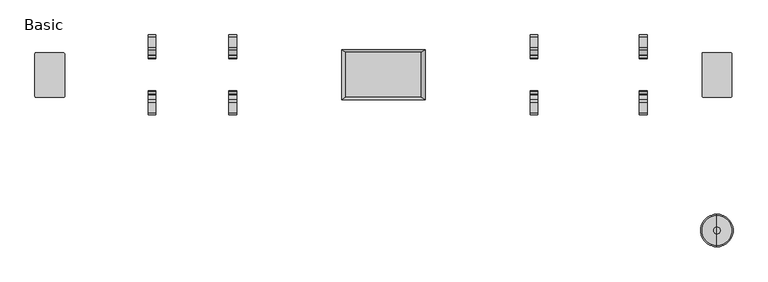
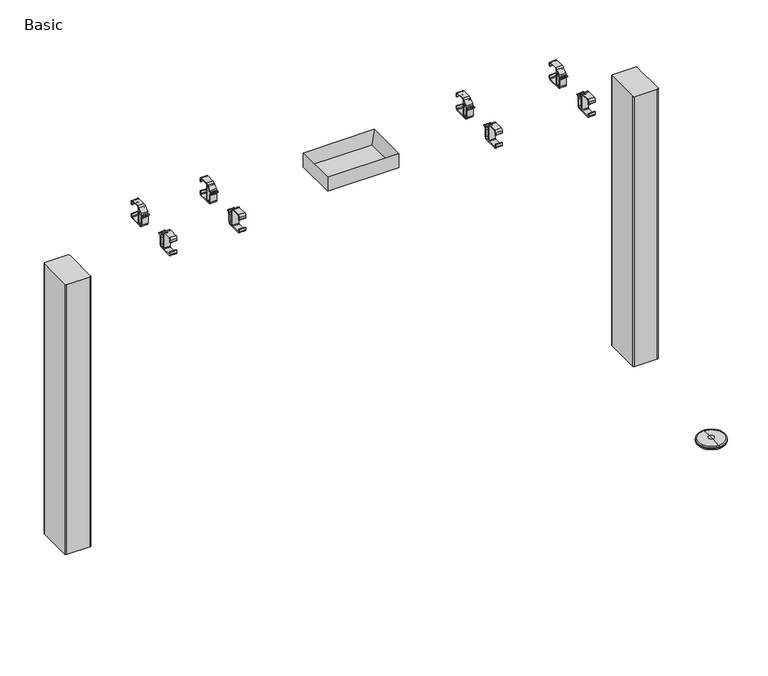
"""IFC4 building model written with IfcOpenShell, lengths in millimetres: furniture geometry, Basic."""

from ifc_helpers import new_model, si_unit, point, frame, frame_2d, origin, place, context, project, spatial, polyline, circle_curve, ellipse_curve, trimmed, segment, composite_curve, outline, extrude, faceted_brep, source, transform, mapped, element, save
from ifc_brep_helpers import plane_surface, cylinder_surface, revolved_surface, advanced_brep


def basic_55b35f84(model_context):
    return source(origin(), model_context, "Body", "SolidModel", [
        extrude(outline(composite_curve([segment(trimmed(circle_curve(frame_2d((524.0941449, -139.8062192)), 2.9999955), [point((527.0941404, -139.8062192))], [point((524.0941476, -142.8062147))], False, "CARTESIAN"), True, "CONTINUOUS"), segment(polyline([(524.0941476, -142.8062147), (470.2123335, -142.8062147)]), True, "CONTINUOUS"), segment(trimmed(circle_curve(frame_2d((470.2123308, -139.8062267)), 2.9999881), [point((470.2123335, -142.8062147))], [point((467.2123427, -139.8062267))], False, "CARTESIAN"), True, "CONTINUOUS"), segment(polyline([(467.2123427, -139.8062267), (467.2123427, -55.8062406)]), True, "CONTINUOUS"), segment(trimmed(circle_curve(frame_2d((470.2123507, -55.8062406)), 3.0000079), [point((467.2123427, -55.8062406))], [point((470.2123441, -52.8062327))], False, "CARTESIAN"), True, "CONTINUOUS"), segment(polyline([(470.2123441, -52.8062327), (524.094164, -52.8062327)]), True, "CONTINUOUS"), segment(trimmed(circle_curve(frame_2d((524.094164, -55.8062091)), 2.9999764), [point((524.094164, -52.8062327))], [point((527.0941404, -55.8062091))], False, "CARTESIAN"), True, "CONTINUOUS"), segment(polyline([(527.0941404, -55.8062091), (527.0941404, -139.8062192)]), True, "CONTINUOUS")], self_intersect=False)), frame((0.0, 0.0, 32.9997018), z_axis=(0.0, 0.0, 1.0), x_axis=(1.0, 0.0, 0.0)), (0.0, 0.0, 1.0), 673.400907),
        extrude(outline(composite_curve([segment(polyline([(-871.3931554, -140.227344), (-871.3931508, -55.5044158)]), True, "CONTINUOUS"), segment(trimmed(circle_curve(frame_2d((-868.6949196, -55.5044158)), 2.6982312), [point((-871.3931508, -55.5044158))], [point((-868.6949196, -52.8061846))], False, "CARTESIAN"), True, "CONTINUOUS"), segment(polyline([(-868.6949196, -52.8061846), (-815.7662966, -52.8061846)]), True, "CONTINUOUS"), segment(trimmed(circle_curve(frame_2d((-815.7662966, -57.1799025)), 4.3737179), [point((-815.7662966, -52.8061846))], [point((-811.3925787, -57.1799025))], False, "CARTESIAN"), True, "CONTINUOUS"), segment(polyline([(-811.3925787, -57.1799025), (-811.3925787, -140.352824)]), True, "CONTINUOUS"), segment(trimmed(circle_curve(frame_2d((-813.9932707, -140.2011003)), 2.605114), [point((-811.3925787, -140.352824))], [point((-813.9932707, -142.8062143))], False, "CARTESIAN"), True, "CONTINUOUS"), segment(polyline([(-813.9932707, -142.8062143), (-868.8142851, -142.8062143)]), True, "CONTINUOUS"), segment(trimmed(circle_curve(frame_2d((-868.8142851, -140.227344)), 2.5788703), [point((-868.8142851, -142.8062143))], [point((-871.3931554, -140.227344))], False, "CARTESIAN"), True, "CONTINUOUS")], self_intersect=False)), frame((0.0, 0.0, 32.9997018), z_axis=(0.0, 0.0, 1.0), x_axis=(1.0, 0.0, 0.0)), (0.0, 0.0, 1.0), 673.400907),
        extrude(outline(composite_curve([segment(trimmed(circle_curve(frame_2d((-65.7391624, 742.1239361)), 6.2415612), [point((-59.4976013, 742.1239361))], [point((-64.5659326, 748.2542393))], True, "CARTESIAN"), True, "CONTINUOUS"), segment(trimmed(circle_curve(frame_2d((-64.3721846, 749.2666017)), 1.0307357), [point((-64.5659326, 748.2542393))], [point((-64.1869392, 750.2805545))], False, "CARTESIAN"), True, "CONTINUOUS"), segment(trimmed(circle_curve(frame_2d((-65.6771233, 742.1239361)), 8.2916266), [point((-64.1869392, 750.2805545))], [point((-57.3854967, 742.1239361))], False, "CARTESIAN"), True, "CONTINUOUS"), segment(polyline([(-57.3854967, 742.1239361), (-57.3854967, 725.3624107)]), True, "CONTINUOUS"), segment(trimmed(circle_curve(frame_2d((-53.4972048, 725.3624107)), 3.8882919), [point((-57.3854967, 725.3624107))], [point((-53.4414787, 721.4745182))], True, "CARTESIAN"), True, "CONTINUOUS"), segment(polyline([(-53.4414787, 721.4745182), (-48.5753711, 721.4745182)]), True, "CONTINUOUS"), segment(trimmed(circle_curve(frame_2d((-48.5753711, 722.558435)), 1.0839168), [point((-48.5753711, 721.4745182))], [point((-47.4914543, 722.558435))], True, "CARTESIAN"), True, "CONTINUOUS"), segment(polyline([(-47.4914543, 722.558435), (-47.4914543, 756.2135585)]), True, "CONTINUOUS"), segment(trimmed(circle_curve(frame_2d((-49.0315964, 756.2135585)), 1.5401421), [point((-47.4914543, 756.2135585))], [point((-50.0681586, 757.3526706))], True, "CARTESIAN"), True, "CONTINUOUS"), segment(polyline([(-50.0681586, 757.3526706), (-54.4475369, 753.3675508)]), True, "CONTINUOUS"), segment(trimmed(circle_curve(frame_2d((-53.8610141, 752.7230017)), 0.8714657), [point((-54.4475369, 753.3675508))], [point((-54.6447876, 752.342014))], True, "CARTESIAN"), True, "CONTINUOUS"), segment(trimmed(circle_curve(frame_2d((-56.5369304, 751.4222544)), 2.1038446), [point((-54.6447876, 752.342014))], [point((-57.8009025, 753.1040798))], False, "CARTESIAN"), True, "CONTINUOUS"), segment(polyline([(-57.8009025, 753.1040798), (-48.4315057, 761.5182067)]), True, "CONTINUOUS"), segment(trimmed(circle_curve(frame_2d((-43.0316889, 755.5053397)), 8.0816206), [point((-48.4315057, 761.5182067))], [point((-43.0316889, 763.5869603))], False, "CARTESIAN"), True, "CONTINUOUS"), segment(polyline([(-43.0316889, 763.5869603), (-21.684555, 763.5869603)]), True, "CONTINUOUS"), segment(trimmed(circle_curve(frame_2d((-22.1935929, 758.8624493)), 4.7518548), [point((-21.684555, 763.5869603))], [point((-17.4417381, 758.8624493))], False, "CARTESIAN"), True, "CONTINUOUS"), segment(polyline([(-17.4417381, 758.8624493), (-17.4417381, 753.5063472)]), True, "CONTINUOUS"), segment(trimmed(circle_curve(frame_2d((-18.5067894, 753.5063472)), 1.0650513), [point((-17.4417381, 753.5063472))], [point((-19.5718406, 753.5063472))], False, "CARTESIAN"), True, "CONTINUOUS"), segment(polyline([(-19.5718406, 753.5063472), (-19.5718406, 759.3038862)]), True, "CONTINUOUS"), segment(trimmed(circle_curve(frame_2d((-22.6679544, 759.3038862)), 3.0961138), [point((-19.5718406, 759.3038862))], [point((-22.6679544, 762.4))], True, "CARTESIAN"), True, "CONTINUOUS"), segment(polyline([(-22.6679544, 762.4), (-43.0035831, 762.4)]), True, "CONTINUOUS"), segment(trimmed(circle_curve(frame_2d((-43.0035831, 759.897389)), 2.502611), [point((-43.0035831, 762.4))], [point((-45.5061941, 759.897389))], True, "CARTESIAN"), True, "CONTINUOUS"), segment(polyline([(-45.5061941, 759.897389), (-45.5061941, 722.9613964)]), True, "CONTINUOUS"), segment(trimmed(circle_curve(frame_2d((-44.0445082, 722.9613964)), 1.4616859), [point((-45.5061941, 722.9613964))], [point((-44.0445082, 721.4997105))], True, "CARTESIAN"), True, "CONTINUOUS"), segment(polyline([(-44.0445082, 721.4997105), (-21.0231187, 721.4997105)]), True, "CONTINUOUS"), segment(trimmed(circle_curve(frame_2d((-21.0231187, 722.9509885)), 1.451278), [point((-21.0231187, 721.4997105))], [point((-19.5718406, 722.9509885))], True, "CARTESIAN"), True, "CONTINUOUS"), segment(polyline([(-19.5718406, 722.9509885), (-19.5718406, 729.2789837), (-17.4417381, 729.2789837), (-17.4417381, 723.3602118)]), True, "CONTINUOUS"), segment(trimmed(circle_curve(frame_2d((-21.439512, 723.3602118)), 3.997774), [point((-17.4417381, 723.3602118))], [point((-21.439512, 719.3624378))], False, "CARTESIAN"), True, "CONTINUOUS"), segment(polyline([(-21.439512, 719.3624378), (-53.4414787, 719.3624378)]), True, "CONTINUOUS"), segment(trimmed(circle_curve(frame_2d((-53.4414787, 725.4188231)), 6.0563853), [point((-53.4414787, 719.3624378))], [point((-59.4976013, 725.3624107))], False, "CARTESIAN"), True, "CONTINUOUS"), segment(polyline([(-59.4976013, 725.3624107), (-59.4976013, 742.1239361)]), True, "CONTINUOUS")], self_intersect=False)), frame((-644.2435707, 0.0, 0.0), z_axis=(1.0, 0.0, 0.0), x_axis=(0.0, 1.0, 0.0)), (0.0, 0.0, 1.0), 15.24),
        extrude(outline(composite_curve([segment(polyline([(-135.6005693, 742.1239361), (-135.6005693, 725.3624107)]), True, "CONTINUOUS"), segment(trimmed(circle_curve(frame_2d((-141.6566919, 725.4188231)), 6.0563853), [point((-135.6005693, 725.3624107))], [point((-141.6566919, 719.3624378))], False, "CARTESIAN"), True, "CONTINUOUS"), segment(polyline([(-141.6566919, 719.3624378), (-173.6586586, 719.3624378)]), True, "CONTINUOUS"), segment(trimmed(circle_curve(frame_2d((-173.6586586, 723.3602118)), 3.997774), [point((-173.6586586, 719.3624378))], [point((-177.6564325, 723.3602118))], False, "CARTESIAN"), True, "CONTINUOUS"), segment(polyline([(-177.6564325, 723.3602118), (-177.6564325, 729.2789837), (-175.52633, 729.2789837), (-175.52633, 722.9509885)]), True, "CONTINUOUS"), segment(trimmed(circle_curve(frame_2d((-174.0750519, 722.9509885)), 1.451278), [point((-175.52633, 722.9509885))], [point((-174.0750519, 721.4997105))], True, "CARTESIAN"), True, "CONTINUOUS"), segment(polyline([(-174.0750519, 721.4997105), (-151.0536624, 721.4997105)]), True, "CONTINUOUS"), segment(trimmed(circle_curve(frame_2d((-151.0536624, 722.9613964)), 1.4616859), [point((-151.0536624, 721.4997105))], [point((-149.5919765, 722.9613964))], True, "CARTESIAN"), True, "CONTINUOUS"), segment(polyline([(-149.5919765, 722.9613964), (-149.5919765, 759.897389)]), True, "CONTINUOUS"), segment(trimmed(circle_curve(frame_2d((-152.0945875, 759.897389)), 2.502611), [point((-149.5919765, 759.897389))], [point((-152.0945875, 762.4))], True, "CARTESIAN"), True, "CONTINUOUS"), segment(polyline([(-152.0945875, 762.4), (-172.4302162, 762.4)]), True, "CONTINUOUS"), segment(trimmed(circle_curve(frame_2d((-172.4302162, 759.3038862)), 3.0961138), [point((-172.4302162, 762.4))], [point((-175.52633, 759.3038862))], True, "CARTESIAN"), True, "CONTINUOUS"), segment(polyline([(-175.52633, 759.3038862), (-175.52633, 753.5063472)]), True, "CONTINUOUS"), segment(trimmed(circle_curve(frame_2d((-176.5913812, 753.5063472)), 1.0650513), [point((-175.52633, 753.5063472))], [point((-177.6564325, 753.5063472))], False, "CARTESIAN"), True, "CONTINUOUS"), segment(polyline([(-177.6564325, 753.5063472), (-177.6564325, 758.8624493)]), True, "CONTINUOUS"), segment(trimmed(circle_curve(frame_2d((-172.9045777, 758.8624493)), 4.7518548), [point((-177.6564325, 758.8624493))], [point((-173.4136156, 763.5869603))], False, "CARTESIAN"), True, "CONTINUOUS"), segment(polyline([(-173.4136156, 763.5869603), (-152.0664817, 763.5869603)]), True, "CONTINUOUS"), segment(trimmed(circle_curve(frame_2d((-152.0664817, 755.5053397)), 8.0816206), [point((-152.0664817, 763.5869603))], [point((-146.6666649, 761.5182067))], False, "CARTESIAN"), True, "CONTINUOUS"), segment(polyline([(-146.6666649, 761.5182067), (-137.2972681, 753.1040798)]), True, "CONTINUOUS"), segment(trimmed(circle_curve(frame_2d((-138.5612402, 751.4222544)), 2.1038446), [point((-137.2972681, 753.1040798))], [point((-140.453383, 752.342014))], False, "CARTESIAN"), True, "CONTINUOUS"), segment(trimmed(circle_curve(frame_2d((-141.2371565, 752.7230017)), 0.8714657), [point((-140.453383, 752.342014))], [point((-140.6506337, 753.3675508))], True, "CARTESIAN"), True, "CONTINUOUS"), segment(polyline([(-140.6506337, 753.3675508), (-145.030012, 757.3526706)]), True, "CONTINUOUS"), segment(trimmed(circle_curve(frame_2d((-146.0665742, 756.2135585)), 1.5401421), [point((-145.030012, 757.3526706))], [point((-147.6067163, 756.2135585))], True, "CARTESIAN"), True, "CONTINUOUS"), segment(polyline([(-147.6067163, 756.2135585), (-147.6067163, 722.558435)]), True, "CONTINUOUS"), segment(trimmed(circle_curve(frame_2d((-146.5227995, 722.558435)), 1.0839168), [point((-147.6067163, 722.558435))], [point((-146.5227995, 721.4745182))], True, "CARTESIAN"), True, "CONTINUOUS"), segment(polyline([(-146.5227995, 721.4745182), (-141.6566919, 721.4745182)]), True, "CONTINUOUS"), segment(trimmed(circle_curve(frame_2d((-141.6009658, 725.3624107)), 3.8882919), [point((-141.6566919, 721.4745182))], [point((-137.7126739, 725.3624107))], True, "CARTESIAN"), True, "CONTINUOUS"), segment(polyline([(-137.7126739, 725.3624107), (-137.7126739, 742.1239361)]), True, "CONTINUOUS"), segment(trimmed(circle_curve(frame_2d((-129.4210473, 742.1239361)), 8.2916266), [point((-137.7126739, 742.1239361))], [point((-130.9112314, 750.2805545))], False, "CARTESIAN"), True, "CONTINUOUS"), segment(trimmed(circle_curve(frame_2d((-130.725986, 749.2666017)), 1.0307357), [point((-130.9112314, 750.2805545))], [point((-130.532238, 748.2542393))], False, "CARTESIAN"), True, "CONTINUOUS"), segment(trimmed(circle_curve(frame_2d((-129.3590082, 742.1239361)), 6.2415612), [point((-130.532238, 748.2542393))], [point((-135.6005693, 742.1239361))], True, "CARTESIAN"), True, "CONTINUOUS")], self_intersect=False)), frame((-644.2435707, 0.0, 0.0), z_axis=(1.0, 0.0, 0.0), x_axis=(0.0, 1.0, 0.0)), (0.0, 0.0, 1.0), 15.24),
        extrude(outline(composite_curve([segment(trimmed(circle_curve(frame_2d((-65.7391624, 742.1239361)), 6.2415612), [point((-59.4976013, 742.1239361))], [point((-64.5659326, 748.2542393))], True, "CARTESIAN"), True, "CONTINUOUS"), segment(trimmed(circle_curve(frame_2d((-64.3721846, 749.2666017)), 1.0307357), [point((-64.5659326, 748.2542393))], [point((-64.1869392, 750.2805545))], False, "CARTESIAN"), True, "CONTINUOUS"), segment(trimmed(circle_curve(frame_2d((-65.6771233, 742.1239361)), 8.2916266), [point((-64.1869392, 750.2805545))], [point((-57.3854967, 742.1239361))], False, "CARTESIAN"), True, "CONTINUOUS"), segment(polyline([(-57.3854967, 742.1239361), (-57.3854967, 725.3624107)]), True, "CONTINUOUS"), segment(trimmed(circle_curve(frame_2d((-53.4972048, 725.3624107)), 3.8882919), [point((-57.3854967, 725.3624107))], [point((-53.4414787, 721.4745182))], True, "CARTESIAN"), True, "CONTINUOUS"), segment(polyline([(-53.4414787, 721.4745182), (-48.5753711, 721.4745182)]), True, "CONTINUOUS"), segment(trimmed(circle_curve(frame_2d((-48.5753711, 722.558435)), 1.0839168), [point((-48.5753711, 721.4745182))], [point((-47.4914543, 722.558435))], True, "CARTESIAN"), True, "CONTINUOUS"), segment(polyline([(-47.4914543, 722.558435), (-47.4914543, 756.2135585)]), True, "CONTINUOUS"), segment(trimmed(circle_curve(frame_2d((-49.0315964, 756.2135585)), 1.5401421), [point((-47.4914543, 756.2135585))], [point((-50.0681586, 757.3526706))], True, "CARTESIAN"), True, "CONTINUOUS"), segment(polyline([(-50.0681586, 757.3526706), (-54.4475369, 753.3675508)]), True, "CONTINUOUS"), segment(trimmed(circle_curve(frame_2d((-53.8610141, 752.7230017)), 0.8714657), [point((-54.4475369, 753.3675508))], [point((-54.6447876, 752.342014))], True, "CARTESIAN"), True, "CONTINUOUS"), segment(trimmed(circle_curve(frame_2d((-56.5369304, 751.4222544)), 2.1038446), [point((-54.6447876, 752.342014))], [point((-57.8009025, 753.1040798))], False, "CARTESIAN"), True, "CONTINUOUS"), segment(polyline([(-57.8009025, 753.1040798), (-48.4315057, 761.5182067)]), True, "CONTINUOUS"), segment(trimmed(circle_curve(frame_2d((-43.0316889, 755.5053397)), 8.0816206), [point((-48.4315057, 761.5182067))], [point((-43.0316889, 763.5869603))], False, "CARTESIAN"), True, "CONTINUOUS"), segment(polyline([(-43.0316889, 763.5869603), (-21.684555, 763.5869603)]), True, "CONTINUOUS"), segment(trimmed(circle_curve(frame_2d((-22.1935929, 758.8624493)), 4.7518548), [point((-21.684555, 763.5869603))], [point((-17.4417381, 758.8624493))], False, "CARTESIAN"), True, "CONTINUOUS"), segment(polyline([(-17.4417381, 758.8624493), (-17.4417381, 753.5063472)]), True, "CONTINUOUS"), segment(trimmed(circle_curve(frame_2d((-18.5067894, 753.5063472)), 1.0650513), [point((-17.4417381, 753.5063472))], [point((-19.5718406, 753.5063472))], False, "CARTESIAN"), True, "CONTINUOUS"), segment(polyline([(-19.5718406, 753.5063472), (-19.5718406, 759.3038862)]), True, "CONTINUOUS"), segment(trimmed(circle_curve(frame_2d((-22.6679544, 759.3038862)), 3.0961138), [point((-19.5718406, 759.3038862))], [point((-22.6679544, 762.4))], True, "CARTESIAN"), True, "CONTINUOUS"), segment(polyline([(-22.6679544, 762.4), (-43.0035831, 762.4)]), True, "CONTINUOUS"), segment(trimmed(circle_curve(frame_2d((-43.0035831, 759.897389)), 2.502611), [point((-43.0035831, 762.4))], [point((-45.5061941, 759.897389))], True, "CARTESIAN"), True, "CONTINUOUS"), segment(polyline([(-45.5061941, 759.897389), (-45.5061941, 722.9613964)]), True, "CONTINUOUS"), segment(trimmed(circle_curve(frame_2d((-44.0445082, 722.9613964)), 1.4616859), [point((-45.5061941, 722.9613964))], [point((-44.0445082, 721.4997105))], True, "CARTESIAN"), True, "CONTINUOUS"), segment(polyline([(-44.0445082, 721.4997105), (-21.0231187, 721.4997105)]), True, "CONTINUOUS"), segment(trimmed(circle_curve(frame_2d((-21.0231187, 722.9509885)), 1.451278), [point((-21.0231187, 721.4997105))], [point((-19.5718406, 722.9509885))], True, "CARTESIAN"), True, "CONTINUOUS"), segment(polyline([(-19.5718406, 722.9509885), (-19.5718406, 729.2789837), (-17.4417381, 729.2789837), (-17.4417381, 723.3602118)]), True, "CONTINUOUS"), segment(trimmed(circle_curve(frame_2d((-21.439512, 723.3602118)), 3.997774), [point((-17.4417381, 723.3602118))], [point((-21.439512, 719.3624378))], False, "CARTESIAN"), True, "CONTINUOUS"), segment(polyline([(-21.439512, 719.3624378), (-53.4414787, 719.3624378)]), True, "CONTINUOUS"), segment(trimmed(circle_curve(frame_2d((-53.4414787, 725.4188231)), 6.0563853), [point((-53.4414787, 719.3624378))], [point((-59.4976013, 725.3624107))], False, "CARTESIAN"), True, "CONTINUOUS"), segment(polyline([(-59.4976013, 725.3624107), (-59.4976013, 742.1239361)]), True, "CONTINUOUS")], self_intersect=False)), frame((-481.9950023, 0.0, 0.0), z_axis=(1.0, 0.0, 0.0), x_axis=(0.0, 1.0, 0.0)), (0.0, 0.0, 1.0), 15.24),
        extrude(outline(composite_curve([segment(polyline([(-135.6005693, 742.1239361), (-135.6005693, 725.3624107)]), True, "CONTINUOUS"), segment(trimmed(circle_curve(frame_2d((-141.6566919, 725.4188231)), 6.0563853), [point((-135.6005693, 725.3624107))], [point((-141.6566919, 719.3624378))], False, "CARTESIAN"), True, "CONTINUOUS"), segment(polyline([(-141.6566919, 719.3624378), (-173.6586586, 719.3624378)]), True, "CONTINUOUS"), segment(trimmed(circle_curve(frame_2d((-173.6586586, 723.3602118)), 3.997774), [point((-173.6586586, 719.3624378))], [point((-177.6564325, 723.3602118))], False, "CARTESIAN"), True, "CONTINUOUS"), segment(polyline([(-177.6564325, 723.3602118), (-177.6564325, 729.2789837), (-175.52633, 729.2789837), (-175.52633, 722.9509885)]), True, "CONTINUOUS"), segment(trimmed(circle_curve(frame_2d((-174.0750519, 722.9509885)), 1.451278), [point((-175.52633, 722.9509885))], [point((-174.0750519, 721.4997105))], True, "CARTESIAN"), True, "CONTINUOUS"), segment(polyline([(-174.0750519, 721.4997105), (-151.0536624, 721.4997105)]), True, "CONTINUOUS"), segment(trimmed(circle_curve(frame_2d((-151.0536624, 722.9613964)), 1.4616859), [point((-151.0536624, 721.4997105))], [point((-149.5919765, 722.9613964))], True, "CARTESIAN"), True, "CONTINUOUS"), segment(polyline([(-149.5919765, 722.9613964), (-149.5919765, 759.897389)]), True, "CONTINUOUS"), segment(trimmed(circle_curve(frame_2d((-152.0945875, 759.897389)), 2.502611), [point((-149.5919765, 759.897389))], [point((-152.0945875, 762.4))], True, "CARTESIAN"), True, "CONTINUOUS"), segment(polyline([(-152.0945875, 762.4), (-172.4302162, 762.4)]), True, "CONTINUOUS"), segment(trimmed(circle_curve(frame_2d((-172.4302162, 759.3038862)), 3.0961138), [point((-172.4302162, 762.4))], [point((-175.52633, 759.3038862))], True, "CARTESIAN"), True, "CONTINUOUS"), segment(polyline([(-175.52633, 759.3038862), (-175.52633, 753.5063472)]), True, "CONTINUOUS"), segment(trimmed(circle_curve(frame_2d((-176.5913812, 753.5063472)), 1.0650513), [point((-175.52633, 753.5063472))], [point((-177.6564325, 753.5063472))], False, "CARTESIAN"), True, "CONTINUOUS"), segment(polyline([(-177.6564325, 753.5063472), (-177.6564325, 758.8624493)]), True, "CONTINUOUS"), segment(trimmed(circle_curve(frame_2d((-172.9045777, 758.8624493)), 4.7518548), [point((-177.6564325, 758.8624493))], [point((-173.4136156, 763.5869603))], False, "CARTESIAN"), True, "CONTINUOUS"), segment(polyline([(-173.4136156, 763.5869603), (-152.0664817, 763.5869603)]), True, "CONTINUOUS"), segment(trimmed(circle_curve(frame_2d((-152.0664817, 755.5053397)), 8.0816206), [point((-152.0664817, 763.5869603))], [point((-146.6666649, 761.5182067))], False, "CARTESIAN"), True, "CONTINUOUS"), segment(polyline([(-146.6666649, 761.5182067), (-137.2972681, 753.1040798)]), True, "CONTINUOUS"), segment(trimmed(circle_curve(frame_2d((-138.5612402, 751.4222544)), 2.1038446), [point((-137.2972681, 753.1040798))], [point((-140.453383, 752.342014))], False, "CARTESIAN"), True, "CONTINUOUS"), segment(trimmed(circle_curve(frame_2d((-141.2371565, 752.7230017)), 0.8714657), [point((-140.453383, 752.342014))], [point((-140.6506337, 753.3675508))], True, "CARTESIAN"), True, "CONTINUOUS"), segment(polyline([(-140.6506337, 753.3675508), (-145.030012, 757.3526706)]), True, "CONTINUOUS"), segment(trimmed(circle_curve(frame_2d((-146.0665742, 756.2135585)), 1.5401421), [point((-145.030012, 757.3526706))], [point((-147.6067163, 756.2135585))], True, "CARTESIAN"), True, "CONTINUOUS"), segment(polyline([(-147.6067163, 756.2135585), (-147.6067163, 722.558435)]), True, "CONTINUOUS"), segment(trimmed(circle_curve(frame_2d((-146.5227995, 722.558435)), 1.0839168), [point((-147.6067163, 722.558435))], [point((-146.5227995, 721.4745182))], True, "CARTESIAN"), True, "CONTINUOUS"), segment(polyline([(-146.5227995, 721.4745182), (-141.6566919, 721.4745182)]), True, "CONTINUOUS"), segment(trimmed(circle_curve(frame_2d((-141.6009658, 725.3624107)), 3.8882919), [point((-141.6566919, 721.4745182))], [point((-137.7126739, 725.3624107))], True, "CARTESIAN"), True, "CONTINUOUS"), segment(polyline([(-137.7126739, 725.3624107), (-137.7126739, 742.1239361)]), True, "CONTINUOUS"), segment(trimmed(circle_curve(frame_2d((-129.4210473, 742.1239361)), 8.2916266), [point((-137.7126739, 742.1239361))], [point((-130.9112314, 750.2805545))], False, "CARTESIAN"), True, "CONTINUOUS"), segment(trimmed(circle_curve(frame_2d((-130.725986, 749.2666017)), 1.0307357), [point((-130.9112314, 750.2805545))], [point((-130.532238, 748.2542393))], False, "CARTESIAN"), True, "CONTINUOUS"), segment(trimmed(circle_curve(frame_2d((-129.3590082, 742.1239361)), 6.2415612), [point((-130.532238, 748.2542393))], [point((-135.6005693, 742.1239361))], True, "CARTESIAN"), True, "CONTINUOUS")], self_intersect=False)), frame((-481.9950023, 0.0, 0.0), z_axis=(1.0, 0.0, 0.0), x_axis=(0.0, 1.0, 0.0)), (0.0, 0.0, 1.0), 15.24),
        extrude(outline(composite_curve([segment(trimmed(circle_curve(frame_2d((-65.7391624, 742.1239361)), 6.2415612), [point((-59.4976013, 742.1239361))], [point((-64.5659326, 748.2542393))], True, "CARTESIAN"), True, "CONTINUOUS"), segment(trimmed(circle_curve(frame_2d((-64.3721846, 749.2666017)), 1.0307357), [point((-64.5659326, 748.2542393))], [point((-64.1869392, 750.2805545))], False, "CARTESIAN"), True, "CONTINUOUS"), segment(trimmed(circle_curve(frame_2d((-65.6771233, 742.1239361)), 8.2916266), [point((-64.1869392, 750.2805545))], [point((-57.3854967, 742.1239361))], False, "CARTESIAN"), True, "CONTINUOUS"), segment(polyline([(-57.3854967, 742.1239361), (-57.3854967, 725.3624107)]), True, "CONTINUOUS"), segment(trimmed(circle_curve(frame_2d((-53.4972048, 725.3624107)), 3.8882919), [point((-57.3854967, 725.3624107))], [point((-53.4414787, 721.4745182))], True, "CARTESIAN"), True, "CONTINUOUS"), segment(polyline([(-53.4414787, 721.4745182), (-48.5753711, 721.4745182)]), True, "CONTINUOUS"), segment(trimmed(circle_curve(frame_2d((-48.5753711, 722.558435)), 1.0839168), [point((-48.5753711, 721.4745182))], [point((-47.4914543, 722.558435))], True, "CARTESIAN"), True, "CONTINUOUS"), segment(polyline([(-47.4914543, 722.558435), (-47.4914543, 756.2135585)]), True, "CONTINUOUS"), segment(trimmed(circle_curve(frame_2d((-49.0315964, 756.2135585)), 1.5401421), [point((-47.4914543, 756.2135585))], [point((-50.0681586, 757.3526706))], True, "CARTESIAN"), True, "CONTINUOUS"), segment(polyline([(-50.0681586, 757.3526706), (-54.4475369, 753.3675508)]), True, "CONTINUOUS"), segment(trimmed(circle_curve(frame_2d((-53.8610141, 752.7230017)), 0.8714657), [point((-54.4475369, 753.3675508))], [point((-54.6447876, 752.342014))], True, "CARTESIAN"), True, "CONTINUOUS"), segment(trimmed(circle_curve(frame_2d((-56.5369304, 751.4222544)), 2.1038446), [point((-54.6447876, 752.342014))], [point((-57.8009025, 753.1040798))], False, "CARTESIAN"), True, "CONTINUOUS"), segment(polyline([(-57.8009025, 753.1040798), (-48.4315057, 761.5182067)]), True, "CONTINUOUS"), segment(trimmed(circle_curve(frame_2d((-43.0316889, 755.5053397)), 8.0816206), [point((-48.4315057, 761.5182067))], [point((-43.0316889, 763.5869603))], False, "CARTESIAN"), True, "CONTINUOUS"), segment(polyline([(-43.0316889, 763.5869603), (-21.684555, 763.5869603)]), True, "CONTINUOUS"), segment(trimmed(circle_curve(frame_2d((-22.1935929, 758.8624493)), 4.7518548), [point((-21.684555, 763.5869603))], [point((-17.4417381, 758.8624493))], False, "CARTESIAN"), True, "CONTINUOUS"), segment(polyline([(-17.4417381, 758.8624493), (-17.4417381, 753.5063472)]), True, "CONTINUOUS"), segment(trimmed(circle_curve(frame_2d((-18.5067894, 753.5063472)), 1.0650513), [point((-17.4417381, 753.5063472))], [point((-19.5718406, 753.5063472))], False, "CARTESIAN"), True, "CONTINUOUS"), segment(polyline([(-19.5718406, 753.5063472), (-19.5718406, 759.3038862)]), True, "CONTINUOUS"), segment(trimmed(circle_curve(frame_2d((-22.6679544, 759.3038862)), 3.0961138), [point((-19.5718406, 759.3038862))], [point((-22.6679544, 762.4))], True, "CARTESIAN"), True, "CONTINUOUS"), segment(polyline([(-22.6679544, 762.4), (-43.0035831, 762.4)]), True, "CONTINUOUS"), segment(trimmed(circle_curve(frame_2d((-43.0035831, 759.897389)), 2.502611), [point((-43.0035831, 762.4))], [point((-45.5061941, 759.897389))], True, "CARTESIAN"), True, "CONTINUOUS"), segment(polyline([(-45.5061941, 759.897389), (-45.5061941, 722.9613964)]), True, "CONTINUOUS"), segment(trimmed(circle_curve(frame_2d((-44.0445082, 722.9613964)), 1.4616859), [point((-45.5061941, 722.9613964))], [point((-44.0445082, 721.4997105))], True, "CARTESIAN"), True, "CONTINUOUS"), segment(polyline([(-44.0445082, 721.4997105), (-21.0231187, 721.4997105)]), True, "CONTINUOUS"), segment(trimmed(circle_curve(frame_2d((-21.0231187, 722.9509885)), 1.451278), [point((-21.0231187, 721.4997105))], [point((-19.5718406, 722.9509885))], True, "CARTESIAN"), True, "CONTINUOUS"), segment(polyline([(-19.5718406, 722.9509885), (-19.5718406, 729.2789837), (-17.4417381, 729.2789837), (-17.4417381, 723.3602118)]), True, "CONTINUOUS"), segment(trimmed(circle_curve(frame_2d((-21.439512, 723.3602118)), 3.997774), [point((-17.4417381, 723.3602118))], [point((-21.439512, 719.3624378))], False, "CARTESIAN"), True, "CONTINUOUS"), segment(polyline([(-21.439512, 719.3624378), (-53.4414787, 719.3624378)]), True, "CONTINUOUS"), segment(trimmed(circle_curve(frame_2d((-53.4414787, 725.4188231)), 6.0563853), [point((-53.4414787, 719.3624378))], [point((-59.4976013, 725.3624107))], False, "CARTESIAN"), True, "CONTINUOUS"), segment(polyline([(-59.4976013, 725.3624107), (-59.4976013, 742.1239361)]), True, "CONTINUOUS")], self_intersect=False)), frame((341.7131648, 0.0, 0.0), z_axis=(1.0, 0.0, 0.0), x_axis=(0.0, 1.0, 0.0)), (0.0, 0.0, 1.0), 15.24),
        extrude(outline(composite_curve([segment(polyline([(-135.6005693, 742.1239361), (-135.6005693, 725.3624107)]), True, "CONTINUOUS"), segment(trimmed(circle_curve(frame_2d((-141.6566919, 725.4188231)), 6.0563853), [point((-135.6005693, 725.3624107))], [point((-141.6566919, 719.3624378))], False, "CARTESIAN"), True, "CONTINUOUS"), segment(polyline([(-141.6566919, 719.3624378), (-173.6586586, 719.3624378)]), True, "CONTINUOUS"), segment(trimmed(circle_curve(frame_2d((-173.6586586, 723.3602118)), 3.997774), [point((-173.6586586, 719.3624378))], [point((-177.6564325, 723.3602118))], False, "CARTESIAN"), True, "CONTINUOUS"), segment(polyline([(-177.6564325, 723.3602118), (-177.6564325, 729.2789837), (-175.52633, 729.2789837), (-175.52633, 722.9509885)]), True, "CONTINUOUS"), segment(trimmed(circle_curve(frame_2d((-174.0750519, 722.9509885)), 1.451278), [point((-175.52633, 722.9509885))], [point((-174.0750519, 721.4997105))], True, "CARTESIAN"), True, "CONTINUOUS"), segment(polyline([(-174.0750519, 721.4997105), (-151.0536624, 721.4997105)]), True, "CONTINUOUS"), segment(trimmed(circle_curve(frame_2d((-151.0536624, 722.9613964)), 1.4616859), [point((-151.0536624, 721.4997105))], [point((-149.5919765, 722.9613964))], True, "CARTESIAN"), True, "CONTINUOUS"), segment(polyline([(-149.5919765, 722.9613964), (-149.5919765, 759.897389)]), True, "CONTINUOUS"), segment(trimmed(circle_curve(frame_2d((-152.0945875, 759.897389)), 2.502611), [point((-149.5919765, 759.897389))], [point((-152.0945875, 762.4))], True, "CARTESIAN"), True, "CONTINUOUS"), segment(polyline([(-152.0945875, 762.4), (-172.4302162, 762.4)]), True, "CONTINUOUS"), segment(trimmed(circle_curve(frame_2d((-172.4302162, 759.3038862)), 3.0961138), [point((-172.4302162, 762.4))], [point((-175.52633, 759.3038862))], True, "CARTESIAN"), True, "CONTINUOUS"), segment(polyline([(-175.52633, 759.3038862), (-175.52633, 753.5063472)]), True, "CONTINUOUS"), segment(trimmed(circle_curve(frame_2d((-176.5913812, 753.5063472)), 1.0650513), [point((-175.52633, 753.5063472))], [point((-177.6564325, 753.5063472))], False, "CARTESIAN"), True, "CONTINUOUS"), segment(polyline([(-177.6564325, 753.5063472), (-177.6564325, 758.8624493)]), True, "CONTINUOUS"), segment(trimmed(circle_curve(frame_2d((-172.9045777, 758.8624493)), 4.7518548), [point((-177.6564325, 758.8624493))], [point((-173.4136156, 763.5869603))], False, "CARTESIAN"), True, "CONTINUOUS"), segment(polyline([(-173.4136156, 763.5869603), (-152.0664817, 763.5869603)]), True, "CONTINUOUS"), segment(trimmed(circle_curve(frame_2d((-152.0664817, 755.5053397)), 8.0816206), [point((-152.0664817, 763.5869603))], [point((-146.6666649, 761.5182067))], False, "CARTESIAN"), True, "CONTINUOUS"), segment(polyline([(-146.6666649, 761.5182067), (-137.2972681, 753.1040798)]), True, "CONTINUOUS"), segment(trimmed(circle_curve(frame_2d((-138.5612402, 751.4222544)), 2.1038446), [point((-137.2972681, 753.1040798))], [point((-140.453383, 752.342014))], False, "CARTESIAN"), True, "CONTINUOUS"), segment(trimmed(circle_curve(frame_2d((-141.2371565, 752.7230017)), 0.8714657), [point((-140.453383, 752.342014))], [point((-140.6506337, 753.3675508))], True, "CARTESIAN"), True, "CONTINUOUS"), segment(polyline([(-140.6506337, 753.3675508), (-145.030012, 757.3526706)]), True, "CONTINUOUS"), segment(trimmed(circle_curve(frame_2d((-146.0665742, 756.2135585)), 1.5401421), [point((-145.030012, 757.3526706))], [point((-147.6067163, 756.2135585))], True, "CARTESIAN"), True, "CONTINUOUS"), segment(polyline([(-147.6067163, 756.2135585), (-147.6067163, 722.558435)]), True, "CONTINUOUS"), segment(trimmed(circle_curve(frame_2d((-146.5227995, 722.558435)), 1.0839168), [point((-147.6067163, 722.558435))], [point((-146.5227995, 721.4745182))], True, "CARTESIAN"), True, "CONTINUOUS"), segment(polyline([(-146.5227995, 721.4745182), (-141.6566919, 721.4745182)]), True, "CONTINUOUS"), segment(trimmed(circle_curve(frame_2d((-141.6009658, 725.3624107)), 3.8882919), [point((-141.6566919, 721.4745182))], [point((-137.7126739, 725.3624107))], True, "CARTESIAN"), True, "CONTINUOUS"), segment(polyline([(-137.7126739, 725.3624107), (-137.7126739, 742.1239361)]), True, "CONTINUOUS"), segment(trimmed(circle_curve(frame_2d((-129.4210473, 742.1239361)), 8.2916266), [point((-137.7126739, 742.1239361))], [point((-130.9112314, 750.2805545))], False, "CARTESIAN"), True, "CONTINUOUS"), segment(trimmed(circle_curve(frame_2d((-130.725986, 749.2666017)), 1.0307357), [point((-130.9112314, 750.2805545))], [point((-130.532238, 748.2542393))], False, "CARTESIAN"), True, "CONTINUOUS"), segment(trimmed(circle_curve(frame_2d((-129.3590082, 742.1239361)), 6.2415612), [point((-130.532238, 748.2542393))], [point((-135.6005693, 742.1239361))], True, "CARTESIAN"), True, "CONTINUOUS")], self_intersect=False)), frame((341.7131648, 0.0, 0.0), z_axis=(1.0, 0.0, 0.0), x_axis=(0.0, 1.0, 0.0)), (0.0, 0.0, 1.0), 15.24),
        extrude(outline(composite_curve([segment(trimmed(circle_curve(frame_2d((-65.7391624, 742.1239361)), 6.2415612), [point((-59.4976013, 742.1239361))], [point((-64.5659326, 748.2542393))], True, "CARTESIAN"), True, "CONTINUOUS"), segment(trimmed(circle_curve(frame_2d((-64.3721846, 749.2666017)), 1.0307357), [point((-64.5659326, 748.2542393))], [point((-64.1869392, 750.2805545))], False, "CARTESIAN"), True, "CONTINUOUS"), segment(trimmed(circle_curve(frame_2d((-65.6771233, 742.1239361)), 8.2916266), [point((-64.1869392, 750.2805545))], [point((-57.3854967, 742.1239361))], False, "CARTESIAN"), True, "CONTINUOUS"), segment(polyline([(-57.3854967, 742.1239361), (-57.3854967, 725.3624107)]), True, "CONTINUOUS"), segment(trimmed(circle_curve(frame_2d((-53.4972048, 725.3624107)), 3.8882919), [point((-57.3854967, 725.3624107))], [point((-53.4414787, 721.4745182))], True, "CARTESIAN"), True, "CONTINUOUS"), segment(polyline([(-53.4414787, 721.4745182), (-48.5753711, 721.4745182)]), True, "CONTINUOUS"), segment(trimmed(circle_curve(frame_2d((-48.5753711, 722.558435)), 1.0839168), [point((-48.5753711, 721.4745182))], [point((-47.4914543, 722.558435))], True, "CARTESIAN"), True, "CONTINUOUS"), segment(polyline([(-47.4914543, 722.558435), (-47.4914543, 756.2135585)]), True, "CONTINUOUS"), segment(trimmed(circle_curve(frame_2d((-49.0315964, 756.2135585)), 1.5401421), [point((-47.4914543, 756.2135585))], [point((-50.0681586, 757.3526706))], True, "CARTESIAN"), True, "CONTINUOUS"), segment(polyline([(-50.0681586, 757.3526706), (-54.4475369, 753.3675508)]), True, "CONTINUOUS"), segment(trimmed(circle_curve(frame_2d((-53.8610141, 752.7230017)), 0.8714657), [point((-54.4475369, 753.3675508))], [point((-54.6447876, 752.342014))], True, "CARTESIAN"), True, "CONTINUOUS"), segment(trimmed(circle_curve(frame_2d((-56.5369304, 751.4222544)), 2.1038446), [point((-54.6447876, 752.342014))], [point((-57.8009025, 753.1040798))], False, "CARTESIAN"), True, "CONTINUOUS"), segment(polyline([(-57.8009025, 753.1040798), (-48.4315057, 761.5182067)]), True, "CONTINUOUS"), segment(trimmed(circle_curve(frame_2d((-43.0316889, 755.5053397)), 8.0816206), [point((-48.4315057, 761.5182067))], [point((-43.0316889, 763.5869603))], False, "CARTESIAN"), True, "CONTINUOUS"), segment(polyline([(-43.0316889, 763.5869603), (-21.684555, 763.5869603)]), True, "CONTINUOUS"), segment(trimmed(circle_curve(frame_2d((-22.1935929, 758.8624493)), 4.7518548), [point((-21.684555, 763.5869603))], [point((-17.4417381, 758.8624493))], False, "CARTESIAN"), True, "CONTINUOUS"), segment(polyline([(-17.4417381, 758.8624493), (-17.4417381, 753.5063472)]), True, "CONTINUOUS"), segment(trimmed(circle_curve(frame_2d((-18.5067894, 753.5063472)), 1.0650513), [point((-17.4417381, 753.5063472))], [point((-19.5718406, 753.5063472))], False, "CARTESIAN"), True, "CONTINUOUS"), segment(polyline([(-19.5718406, 753.5063472), (-19.5718406, 759.3038862)]), True, "CONTINUOUS"), segment(trimmed(circle_curve(frame_2d((-22.6679544, 759.3038862)), 3.0961138), [point((-19.5718406, 759.3038862))], [point((-22.6679544, 762.4))], True, "CARTESIAN"), True, "CONTINUOUS"), segment(polyline([(-22.6679544, 762.4), (-43.0035831, 762.4)]), True, "CONTINUOUS"), segment(trimmed(circle_curve(frame_2d((-43.0035831, 759.897389)), 2.502611), [point((-43.0035831, 762.4))], [point((-45.5061941, 759.897389))], True, "CARTESIAN"), True, "CONTINUOUS"), segment(polyline([(-45.5061941, 759.897389), (-45.5061941, 722.9613964)]), True, "CONTINUOUS"), segment(trimmed(circle_curve(frame_2d((-44.0445082, 722.9613964)), 1.4616859), [point((-45.5061941, 722.9613964))], [point((-44.0445082, 721.4997105))], True, "CARTESIAN"), True, "CONTINUOUS"), segment(polyline([(-44.0445082, 721.4997105), (-21.0231187, 721.4997105)]), True, "CONTINUOUS"), segment(trimmed(circle_curve(frame_2d((-21.0231187, 722.9509885)), 1.451278), [point((-21.0231187, 721.4997105))], [point((-19.5718406, 722.9509885))], True, "CARTESIAN"), True, "CONTINUOUS"), segment(polyline([(-19.5718406, 722.9509885), (-19.5718406, 729.2789837), (-17.4417381, 729.2789837), (-17.4417381, 723.3602118)]), True, "CONTINUOUS"), segment(trimmed(circle_curve(frame_2d((-21.439512, 723.3602118)), 3.997774), [point((-17.4417381, 723.3602118))], [point((-21.439512, 719.3624378))], False, "CARTESIAN"), True, "CONTINUOUS"), segment(polyline([(-21.439512, 719.3624378), (-53.4414787, 719.3624378)]), True, "CONTINUOUS"), segment(trimmed(circle_curve(frame_2d((-53.4414787, 725.4188231)), 6.0563853), [point((-53.4414787, 719.3624378))], [point((-59.4976013, 725.3624107))], False, "CARTESIAN"), True, "CONTINUOUS"), segment(polyline([(-59.4976013, 725.3624107), (-59.4976013, 742.1239361)]), True, "CONTINUOUS")], self_intersect=False)), frame((122.3145965, 0.0, 0.0), z_axis=(1.0, 0.0, 0.0), x_axis=(0.0, 1.0, 0.0)), (0.0, 0.0, 1.0), 15.24),
        extrude(outline(composite_curve([segment(polyline([(-135.6005693, 742.1239361), (-135.6005693, 725.3624107)]), True, "CONTINUOUS"), segment(trimmed(circle_curve(frame_2d((-141.6566919, 725.4188231)), 6.0563853), [point((-135.6005693, 725.3624107))], [point((-141.6566919, 719.3624378))], False, "CARTESIAN"), True, "CONTINUOUS"), segment(polyline([(-141.6566919, 719.3624378), (-173.6586586, 719.3624378)]), True, "CONTINUOUS"), segment(trimmed(circle_curve(frame_2d((-173.6586586, 723.3602118)), 3.997774), [point((-173.6586586, 719.3624378))], [point((-177.6564325, 723.3602118))], False, "CARTESIAN"), True, "CONTINUOUS"), segment(polyline([(-177.6564325, 723.3602118), (-177.6564325, 729.2789837), (-175.52633, 729.2789837), (-175.52633, 722.9509885)]), True, "CONTINUOUS"), segment(trimmed(circle_curve(frame_2d((-174.0750519, 722.9509885)), 1.451278), [point((-175.52633, 722.9509885))], [point((-174.0750519, 721.4997105))], True, "CARTESIAN"), True, "CONTINUOUS"), segment(polyline([(-174.0750519, 721.4997105), (-151.0536624, 721.4997105)]), True, "CONTINUOUS"), segment(trimmed(circle_curve(frame_2d((-151.0536624, 722.9613964)), 1.4616859), [point((-151.0536624, 721.4997105))], [point((-149.5919765, 722.9613964))], True, "CARTESIAN"), True, "CONTINUOUS"), segment(polyline([(-149.5919765, 722.9613964), (-149.5919765, 759.897389)]), True, "CONTINUOUS"), segment(trimmed(circle_curve(frame_2d((-152.0945875, 759.897389)), 2.502611), [point((-149.5919765, 759.897389))], [point((-152.0945875, 762.4))], True, "CARTESIAN"), True, "CONTINUOUS"), segment(polyline([(-152.0945875, 762.4), (-172.4302162, 762.4)]), True, "CONTINUOUS"), segment(trimmed(circle_curve(frame_2d((-172.4302162, 759.3038862)), 3.0961138), [point((-172.4302162, 762.4))], [point((-175.52633, 759.3038862))], True, "CARTESIAN"), True, "CONTINUOUS"), segment(polyline([(-175.52633, 759.3038862), (-175.52633, 753.5063472)]), True, "CONTINUOUS"), segment(trimmed(circle_curve(frame_2d((-176.5913812, 753.5063472)), 1.0650513), [point((-175.52633, 753.5063472))], [point((-177.6564325, 753.5063472))], False, "CARTESIAN"), True, "CONTINUOUS"), segment(polyline([(-177.6564325, 753.5063472), (-177.6564325, 758.8624493)]), True, "CONTINUOUS"), segment(trimmed(circle_curve(frame_2d((-172.9045777, 758.8624493)), 4.7518548), [point((-177.6564325, 758.8624493))], [point((-173.4136156, 763.5869603))], False, "CARTESIAN"), True, "CONTINUOUS"), segment(polyline([(-173.4136156, 763.5869603), (-152.0664817, 763.5869603)]), True, "CONTINUOUS"), segment(trimmed(circle_curve(frame_2d((-152.0664817, 755.5053397)), 8.0816206), [point((-152.0664817, 763.5869603))], [point((-146.6666649, 761.5182067))], False, "CARTESIAN"), True, "CONTINUOUS"), segment(polyline([(-146.6666649, 761.5182067), (-137.2972681, 753.1040798)]), True, "CONTINUOUS"), segment(trimmed(circle_curve(frame_2d((-138.5612402, 751.4222544)), 2.1038446), [point((-137.2972681, 753.1040798))], [point((-140.453383, 752.342014))], False, "CARTESIAN"), True, "CONTINUOUS"), segment(trimmed(circle_curve(frame_2d((-141.2371565, 752.7230017)), 0.8714657), [point((-140.453383, 752.342014))], [point((-140.6506337, 753.3675508))], True, "CARTESIAN"), True, "CONTINUOUS"), segment(polyline([(-140.6506337, 753.3675508), (-145.030012, 757.3526706)]), True, "CONTINUOUS"), segment(trimmed(circle_curve(frame_2d((-146.0665742, 756.2135585)), 1.5401421), [point((-145.030012, 757.3526706))], [point((-147.6067163, 756.2135585))], True, "CARTESIAN"), True, "CONTINUOUS"), segment(polyline([(-147.6067163, 756.2135585), (-147.6067163, 722.558435)]), True, "CONTINUOUS"), segment(trimmed(circle_curve(frame_2d((-146.5227995, 722.558435)), 1.0839168), [point((-147.6067163, 722.558435))], [point((-146.5227995, 721.4745182))], True, "CARTESIAN"), True, "CONTINUOUS"), segment(polyline([(-146.5227995, 721.4745182), (-141.6566919, 721.4745182)]), True, "CONTINUOUS"), segment(trimmed(circle_curve(frame_2d((-141.6009658, 725.3624107)), 3.8882919), [point((-141.6566919, 721.4745182))], [point((-137.7126739, 725.3624107))], True, "CARTESIAN"), True, "CONTINUOUS"), segment(polyline([(-137.7126739, 725.3624107), (-137.7126739, 742.1239361)]), True, "CONTINUOUS"), segment(trimmed(circle_curve(frame_2d((-129.4210473, 742.1239361)), 8.2916266), [point((-137.7126739, 742.1239361))], [point((-130.9112314, 750.2805545))], False, "CARTESIAN"), True, "CONTINUOUS"), segment(trimmed(circle_curve(frame_2d((-130.725986, 749.2666017)), 1.0307357), [point((-130.9112314, 750.2805545))], [point((-130.532238, 748.2542393))], False, "CARTESIAN"), True, "CONTINUOUS"), segment(trimmed(circle_curve(frame_2d((-129.3590082, 742.1239361)), 6.2415612), [point((-130.532238, 748.2542393))], [point((-135.6005693, 742.1239361))], True, "CARTESIAN"), True, "CONTINUOUS")], self_intersect=False)), frame((122.3145965, 0.0, 0.0), z_axis=(1.0, 0.0, 0.0), x_axis=(0.0, 1.0, 0.0)), (0.0, 0.0, 1.0), 15.4940155),
        faceted_brep([(-88.3740127, -47.4884042, 727.2695037), (-88.3740127, -147.117788, 727.2695037), (-256.0663932, -147.117788, 727.2695037), (-256.0663932, -47.4884042, 727.2695037), (-256.0663932, -47.4884042, 762.4), (-88.3740127, -47.4884042, 762.4), (-256.0663932, -147.117788, 762.4), (-88.3740127, -147.117788, 762.4), (-96.8386607, -52.1177728, 729.3397014), (-247.6017451, -52.1177728, 729.3397014), (-247.6017451, -142.1175118, 729.3397014), (-96.8386607, -142.1175118, 729.3397014)], [[[0, 1, 2, 3]], [[0, 3, 4, 5]], [[3, 2, 6, 4]], [[2, 1, 7, 6]], [[1, 0, 5, 7]], [[8, 9, 10, 11]], [[9, 8, 5, 4]], [[10, 9, 4, 6]], [[11, 10, 6, 7]], [[8, 11, 7, 5]]]),
        advanced_brep(
        [(497.0697971, -409.739494, 0.0), (497.0697971, -379.2816546, 0.0), (497.0697971, -440.1973334, 0.0), (497.0697971, -377.2474516, 2.034203), (497.0697971, -442.2315363, 2.034203), (497.0697971, -377.2474516, 5.0424709), (497.0697971, -442.2315363, 5.0424709), (497.0697971, -379.2667418, 7.0617612), (497.0697971, -440.2122461, 7.0617612), (497.0697971, -402.1897365, 9.288914), (497.0697971, -417.2892514, 9.288914), (497.0697971, -409.739494, 9.288914)],
        [
            (0, 1),
            (1, 2, circle_curve(frame((497.0697971, -409.739494, 0.0), z_axis=(0.0, 0.0, -1.0), x_axis=(0.0, 1.0, 0.0)), 30.4578394)),
            (2, 0),
            (2, 1, circle_curve(frame((497.0697971, -409.739494, 0.0), z_axis=(0.0, 0.0, -1.0), x_axis=(0.0, 1.0, 0.0)), 30.4578394)),
            (1, 3, circle_curve(frame((497.0697971, -379.2816546, 2.034203), z_axis=(1.0, 0.0, 0.0), x_axis=(0.0, 1.0, 0.0)), 2.034203)),
            (3, 4, circle_curve(frame((497.0697971, -409.739494, 2.034203), z_axis=(0.0, 0.0, -1.0), x_axis=(0.0, 1.0, 0.0)), 32.4920424)),
            (4, 2, circle_curve(frame((497.0697971, -440.1973334, 2.034203), z_axis=(1.0, 0.0, 0.0), x_axis=(0.0, -1.0, 0.0)), 2.034203)),
            (4, 3, circle_curve(frame((497.0697971, -409.739494, 2.034203), z_axis=(0.0, 0.0, -1.0), x_axis=(0.0, 1.0, 0.0)), 32.4920424)),
            (3, 5),
            (5, 6, circle_curve(frame((497.0697971, -409.739494, 5.0424709), z_axis=(0.0, 0.0, -1.0), x_axis=(0.0, 1.0, 0.0)), 32.4920424)),
            (6, 4),
            (6, 5, circle_curve(frame((497.0697971, -409.739494, 5.0424709), z_axis=(0.0, 0.0, -1.0), x_axis=(0.0, 1.0, 0.0)), 32.4920424)),
            (5, 7, circle_curve(frame((497.0697971, -379.2667418, 5.0424709), z_axis=(1.0, 0.0, 0.0), x_axis=(0.0, 1.0, 0.0)), 2.0192902)),
            (7, 8, circle_curve(frame((497.0697971, -409.739494, 7.0617612), z_axis=(0.0, 0.0, -1.0), x_axis=(0.0, 1.0, 0.0)), 30.4727521)),
            (8, 6, circle_curve(frame((497.0697971, -440.2122461, 5.0424709), z_axis=(1.0, 0.0, 0.0), x_axis=(0.0, -1.0, 0.0)), 2.0192902)),
            (8, 7, circle_curve(frame((497.0697971, -409.739494, 7.0617612), z_axis=(0.0, 0.0, -1.0), x_axis=(0.0, 1.0, 0.0)), 30.4727521)),
            (7, 9),
            (9, 10, circle_curve(frame((497.0697971, -409.739494, 9.288914), z_axis=(0.0, 0.0, -1.0), x_axis=(0.0, 1.0, 0.0)), 7.5497574)),
            (10, 8),
            (10, 9, circle_curve(frame((497.0697971, -409.739494, 9.288914), z_axis=(0.0, 0.0, -1.0), x_axis=(0.0, 1.0, 0.0)), 7.5497574)),
            (9, 11),
            (11, 10),
        ],
        [
            plane_surface(frame((497.0697971, -409.739494, 0.0), z_axis=(0.0, 0.0, -1.0), x_axis=(0.0, 1.0, 0.0))),
            revolved_surface(trimmed(ellipse_curve(frame((497.0697971, -379.2816546, 2.034203), z_axis=(-1.0, 0.0, 0.0), x_axis=(0.0, 1.0, 0.0)), 2.034203, 2.034203), [point((497.0697971, -377.2474516, 2.034203))], [point((497.0697971, -379.2816546, 0.0))], True, "CARTESIAN"), (497.0697971, -409.739494, 13.4607192), (0.0, 0.0, -1.0)),
            cylinder_surface(frame((497.0697971, -409.739494, 13.4607192), z_axis=(0.0, 0.0, -1.0), x_axis=(0.0, 1.0, 0.0)), 32.4920424),
            revolved_surface(trimmed(ellipse_curve(frame((497.0697971, -379.2667418, 5.0424709), z_axis=(-1.0, 0.0, 0.0), x_axis=(0.0, 1.0, 0.0)), 2.0192902, 2.0192902), [point((497.0697971, -379.2667418, 7.0617612))], [point((497.0697971, -377.2474516, 5.0424709))], True, "CARTESIAN"), (497.0697971, -409.739494, 13.4607192), (0.0, 0.0, -1.0)),
            revolved_surface(polyline([(497.0697971, -402.1897365, 9.288914), (497.0697971, -379.2667418, 7.0617612)]), (497.0697971, -409.739494, 13.4607192), (0.0, 0.0, -1.0)),
            plane_surface(frame((497.0697971, -409.739494, 9.288914), z_axis=(0.0, 0.0, 1.0), x_axis=(0.0, 1.0, 0.0))),
        ],
        [
            (0, [[1, 2, 3]]),
            (0, [[-3, 4, -1]]),
            (1, [[-2, 5, 6, 7]]),
            (1, [[-4, -7, 8, -5]]),
            (2, [[-6, 9, 10, 11]]),
            (2, [[-8, -11, 12, -9]]),
            (3, [[-10, 13, 14, 15]]),
            (3, [[-12, -15, 16, -13]]),
            (4, [[-14, 17, 18, 19]]),
            (4, [[-16, -19, 20, -17]]),
            (5, [[-18, 21, 22]]),
            (5, [[-20, -22, -21]]),
        ],
    ),
    ])


if __name__ == "__main__":
    model = new_model("IFC4")
    model_context = context("Model", 3, world=origin())
    ifc_project = project(units=[si_unit("LENGTHUNIT", "METRE", prefix="MILLI")], contexts=[model_context])
    site = spatial("IfcSite", under=ifc_project)
    building = spatial("IfcBuilding", under=site)
    placement = place(None, origin())
    basic_shape = basic_55b35f84(model_context)
    element("IfcFurniture", 1, ObjectType="Basic", at=placement, inside=building, context=model_context, shape_type="MappedRepresentation", body=[
        mapped(basic_shape, transform((0.0, 0.0, 0.0), x_axis=(1.0, 0.0, 0.0), y_axis=(0.0, 1.0, 0.0), z_axis=(0.0, 0.0, 1.0))),
    ])
    save(model, "model.ifc")
